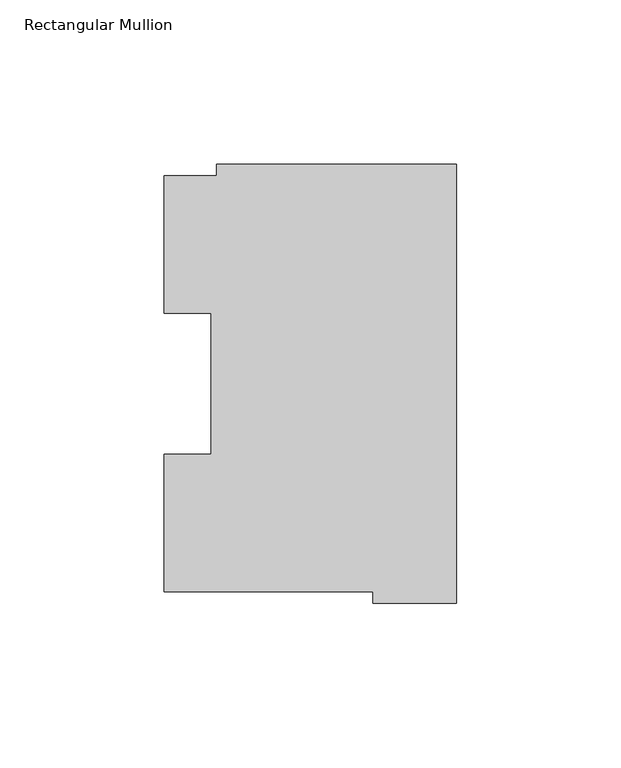
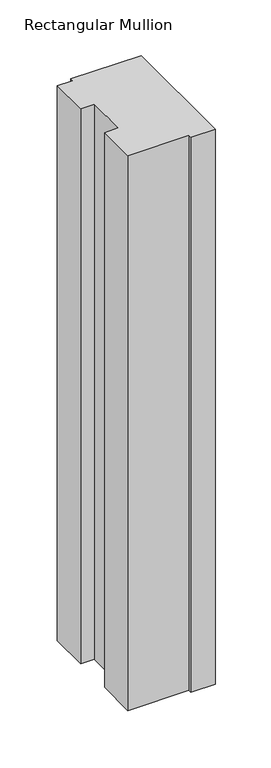
"""IFC4 building model written with IfcOpenShell, lengths in millimetres: member geometry, Rectangular Mullion."""

from ifc_helpers import new_model, si_unit, frame, origin, place, context, project, spatial, polyline, outline, extrude, source, transform, mapped, element, save


def rectangular_mullion_210eb99e(model_context):
    return source(origin(), model_context, "Body", "SweptSolid", [
        extrude(outline(polyline([(-88.8772701, 126.75235), (-73.025, 126.75235), (-73.025, 130.1706837), (0.0, 130.1706837), (0.0, -3.193538), (-25.3772701, -3.193538), (-25.3772701, 0.26035), (-88.8772701, 0.26035), (-88.8772701, 42.0761722), (-74.5947228, 42.0761722), (-74.5947228, 84.93125), (-88.8772701, 84.93125), (-88.8772701, 126.75235)])), frame((0.0, 0.0, -609.6), z_axis=(0.0, 0.0, 1.0), x_axis=(1.0, 0.0, 0.0)), (0.0, 0.0, 1.0), 609.6),
    ])


if __name__ == "__main__":
    model = new_model("IFC4")
    model_context = context("Model", 3, world=origin())
    ifc_project = project(units=[si_unit("LENGTHUNIT", "METRE", prefix="MILLI")], contexts=[model_context])
    site = spatial("IfcSite", under=ifc_project)
    building = spatial("IfcBuilding", under=site)
    placement = place(None, origin())
    rectangular_mullion_shape = rectangular_mullion_210eb99e(model_context)
    element("IfcMember", 1, ObjectType="Rectangular Mullion", at=placement, inside=building, context=model_context, shape_type="MappedRepresentation", body=[
        mapped(rectangular_mullion_shape, transform((0.0, 0.0, 0.0), x_axis=(1.0, 0.0, 0.0), y_axis=(0.0, 1.0, 0.0), z_axis=(0.0, 0.0, 1.0))),
    ])
    save(model, "model.ifc")
